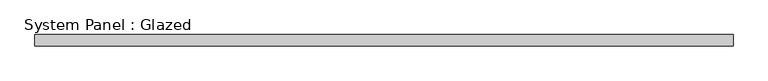
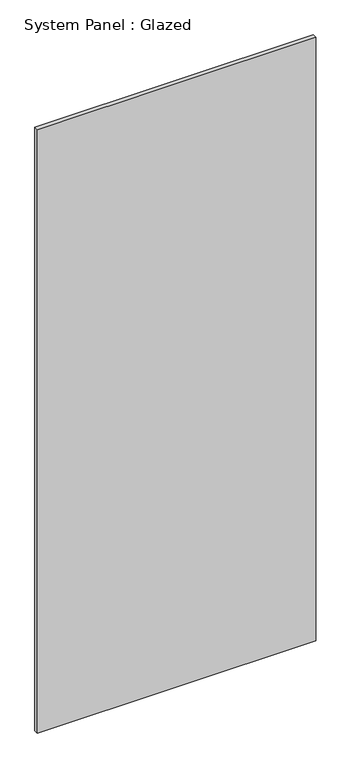
"""IFC4 building model written with IfcOpenShell, lengths in millimetres: plate geometry, System Panel : Glazed."""

import ifcopenshell
import ifcopenshell.guid

model = None  # the IFC model being written
_history = None  # IfcOwnerHistory: only IFC2X3 demands one
_inside = {}  # id of a spatial element -> (the spatial element, [elements in it])
_under = {}  # id of a project, library or spatial element -> (it, [spatial elements below it])
_declared = {}  # id of a project -> (the project, [libraries it declares])
_typed = {}  # id of a type object -> (the type object, [elements of that type])
_made_of = {}  # id of a material, layer set ... -> (it, [elements and type objects made of it])


def new_model(schema):
    """Start an empty IFC model of exactly this schema.

    Asked for "IFC4X3", IfcOpenShell would pick the latest addendum, in which some entities
    have other attributes; the version numbers below select the first issue.
    IFC2X3 requires an IfcOwnerHistory on every rooted entity: one is made here for all.
    """
    global model, _history
    if schema == "IFC4X3":
        model = ifcopenshell.file(schema_version=(4, 3, 0, 0))
    else:
        model = ifcopenshell.file(schema=schema)
    _inside.clear()
    _under.clear()
    _declared.clear()
    _typed.clear()
    _made_of.clear()
    _history = None
    if model.schema == "IFC2X3":
        org = make("IfcOrganization", Name="unknown")
        user = make(
            "IfcPersonAndOrganization",
            ThePerson=make("IfcPerson", FamilyName="unknown"),
            TheOrganization=org,
        )
        app = make(
            "IfcApplication",
            ApplicationDeveloper=org,
            Version="unknown",
            ApplicationFullName="unknown",
            ApplicationIdentifier="unknown",
        )
        _history = make(
            "IfcOwnerHistory",
            OwningUser=user,
            OwningApplication=app,
            ChangeAction="ADDED",
            CreationDate=0,
        )
    return model


def make(cls, **values):
    """One entity of the class cls with the attributes given. An attribute that is None is left unset."""
    return model.create_entity(
        cls, **{name: value for name, value in values.items() if value is not None}
    )


def rooted(cls, **values):
    """An entity with a GlobalId (a new one), such as an element, a storey or a relation."""
    return make(cls, GlobalId=ifcopenshell.guid.new(), OwnerHistory=_history, **values)


def si_unit(unit_type, name, prefix=None):
    """IfcSIUnit, for example si_unit("LENGTHUNIT", "METRE", prefix="MILLI")."""
    return make("IfcSIUnit", UnitType=unit_type, Prefix=prefix, Name=name)


def assignment(units):
    """IfcUnitAssignment: the units of a project."""
    return None if units is None else make("IfcUnitAssignment", Units=units)


def point(xyz):
    """IfcCartesianPoint."""
    return None if xyz is None else make("IfcCartesianPoint", Coordinates=xyz)


def direction(xyz):
    """IfcDirection."""
    return None if xyz is None else make("IfcDirection", DirectionRatios=xyz)


def frame(location, z_axis=None, x_axis=None):
    """IfcAxis2Placement3D, a coordinate frame: its origin and axes. An axis left out is left unset."""
    return make(
        "IfcAxis2Placement3D",
        Location=point(location),
        Axis=direction(z_axis),
        RefDirection=direction(x_axis),
    )


def origin():
    """The frame at (0, 0, 0) with its axes left unset."""
    return frame((0.0, 0.0, 0.0))


def origin_with_axes():
    """The frame at (0, 0, 0) with the z axis (0, 0, 1) and the x axis (1, 0, 0) written out."""
    return frame((0.0, 0.0, 0.0), z_axis=(0.0, 0.0, 1.0), x_axis=(1.0, 0.0, 0.0))


def place(relative_to, where):
    """IfcLocalPlacement: puts the frame where relative to a parent placement (None: the world)."""
    return make(
        "IfcLocalPlacement", PlacementRelTo=relative_to, RelativePlacement=where
    )


def context(
    kind, dimensions, precision=None, world=None, true_north=None, identifier=None
):
    """IfcGeometricRepresentationContext, for example the 3D "Model" context."""
    return make(
        "IfcGeometricRepresentationContext",
        ContextIdentifier=identifier,
        ContextType=kind,
        CoordinateSpaceDimension=dimensions,
        Precision=precision,
        WorldCoordinateSystem=world,
        TrueNorth=true_north,
    )


def project(units=None, contexts=None):
    """IfcProject with its units and contexts."""
    return rooted(
        "IfcProject",
        Name="project",
        RepresentationContexts=contexts,
        UnitsInContext=assignment(units),
    )


def spatial(cls, under=None, at=None, **own):
    """A site, building, storey or space (cls), placed at a placement, below another one or the project."""
    s = rooted(cls, ObjectPlacement=at, **own)
    if under is not None:
        _under.setdefault(under.id(), (under, []))[1].append(s)
    return s


def polyline(points):
    """IfcPolyline through the points."""
    return make("IfcPolyline", Points=[point(p) for p in points])


def outline(outer, holes=None, kind="AREA"):
    """IfcArbitraryClosedProfileDef: a profile drawn as a closed curve; with holes, ...WithVoids."""
    if holes is None:
        return make("IfcArbitraryClosedProfileDef", ProfileType=kind, OuterCurve=outer)
    return make(
        "IfcArbitraryProfileDefWithVoids",
        ProfileType=kind,
        OuterCurve=outer,
        InnerCurves=holes,
    )


def extrude(swept, where, along, depth):
    """IfcExtrudedAreaSolid: the profile swept, set in the frame where, extruded along a direction by depth."""
    return make(
        "IfcExtrudedAreaSolid",
        SweptArea=swept,
        Position=where,
        ExtrudedDirection=direction(along),
        Depth=depth,
    )


def shape(context_of_items, identifier, shape_type, items):
    """IfcShapeRepresentation: the items that make up one representation, for example the "Body"."""
    return make(
        "IfcShapeRepresentation",
        ContextOfItems=context_of_items,
        RepresentationIdentifier=identifier,
        RepresentationType=shape_type,
        Items=items,
    )


def source(mapping_origin, context_of_items, identifier, shape_type, items):
    """IfcRepresentationMap: a shape defined once, which mapped items show again and again."""
    return make(
        "IfcRepresentationMap",
        MappingOrigin=mapping_origin,
        MappedRepresentation=shape(context_of_items, identifier, shape_type, items),
    )


def transform(
    local_origin,
    x_axis=None,
    y_axis=None,
    z_axis=None,
    scale=None,
    scale2=None,
    scale3=None,
    uniform=True,
):
    """IfcCartesianTransformationOperator3D, or its non-uniform kind. x_axis, y_axis, z_axis: its Axis1, 2, 3."""
    if uniform:
        return make(
            "IfcCartesianTransformationOperator3D",
            Axis1=direction(x_axis),
            Axis2=direction(y_axis),
            LocalOrigin=point(local_origin),
            Scale=scale,
            Axis3=direction(z_axis),
        )
    return make(
        "IfcCartesianTransformationOperator3DnonUniform",
        Axis1=direction(x_axis),
        Axis2=direction(y_axis),
        LocalOrigin=point(local_origin),
        Scale=scale,
        Axis3=direction(z_axis),
        Scale2=scale2,
        Scale3=scale3,
    )


def mapped(mapping_source, mapping_target):
    """IfcMappedItem: shows the shape of a source again, moved by a transform."""
    return make(
        "IfcMappedItem", MappingSource=mapping_source, MappingTarget=mapping_target
    )


def made_of(thing, what):
    """Note that an element or type object is made of a material, layer set ...; save() writes the relation."""
    if what is not None:
        _made_of.setdefault(what.id(), (what, []))[1].append(thing)
    return thing


def element(
    cls,
    number,
    at=None,
    inside=None,
    cuts=None,
    type_object=None,
    material=None,
    context=None,
    identifier="Body",
    shape_type=None,
    held_by="IfcProductDefinitionShape",
    body=None,
    shapes=None,
    **own,
):
    """One element of the class cls, such as IfcWall. Its Tag is "e" and its number.

    at: its placement. inside: the storey or other place that contains it. cuts: it is an
    opening in that element (IfcRelVoidsElement). A single representation is given by context,
    identifier, shape_type and body (its items); several are given by shapes. held_by: the class
    of the entity that holds the representations. save() writes the other relations.
    """
    e = rooted(cls, Tag="e%d" % number, ObjectPlacement=at, **own)
    if body is not None:
        shapes = [shape(context, identifier, shape_type, body)]
    if shapes is not None:
        e.Representation = make(held_by, Representations=shapes)
    if inside is not None:
        _inside.setdefault(inside.id(), (inside, []))[1].append(e)
    if cuts is not None:
        rooted(
            "IfcRelVoidsElement", RelatingBuildingElement=cuts, RelatedOpeningElement=e
        )
    if type_object is not None:
        _typed.setdefault(type_object.id(), (type_object, []))[1].append(e)
    return made_of(e, material)


def aggregate(whole, parts):
    """IfcRelAggregates: a whole, such as a stair, and the parts it consists of."""
    return rooted("IfcRelAggregates", RelatingObject=whole, RelatedObjects=parts)


def save(model, path):
    """Write the relations noted so far, then the file.

    IfcRelAggregates (storeys below a building ...), IfcRelContainedInSpatialStructure (elements
    in a storey), IfcRelDefinesByType, IfcRelAssociatesMaterial and IfcRelDeclares: one each for
    every whole, place, type object, material and project.
    """
    for whole, parts in _under.values():
        aggregate(whole, parts)
    for where, things in _inside.values():
        rooted(
            "IfcRelContainedInSpatialStructure",
            RelatedElements=things,
            RelatingStructure=where,
        )
    for kind, things in _typed.values():
        rooted("IfcRelDefinesByType", RelatedObjects=things, RelatingType=kind)
    for what, things in _made_of.values():
        rooted("IfcRelAssociatesMaterial", RelatedObjects=things, RelatingMaterial=what)
    for by, libraries in _declared.values():
        rooted("IfcRelDeclares", RelatingContext=by, RelatedDefinitions=libraries)
    model.write(path)


def system_panel_glazed_d5e8efdc(model_context):
    return source(origin(), model_context, "Body", "SweptSolid", [
        extrude(outline(polyline([(797.3645429, 19.05), (-797.3645429, 19.05), (-797.3645429, 44.45), (797.3645429, 44.45), (797.3645429, 19.05)])), origin_with_axes(), (0.0, 0.0, 1.0), 3657.6),
    ])


if __name__ == "__main__":
    model = new_model("IFC4")
    model_context = context("Model", 3, world=origin())
    ifc_project = project(units=[si_unit("LENGTHUNIT", "METRE", prefix="MILLI")], contexts=[model_context])
    site = spatial("IfcSite", under=ifc_project)
    building = spatial("IfcBuilding", under=site)
    placement = place(None, origin())
    system_panel_glazed_shape = system_panel_glazed_d5e8efdc(model_context)
    element("IfcPlate", 1, ObjectType="System Panel : Glazed", at=placement, inside=building, context=model_context, shape_type="MappedRepresentation", body=[
        mapped(system_panel_glazed_shape, transform((0.0, 0.0, 0.0), x_axis=(1.0, 0.0, 0.0), y_axis=(0.0, 1.0, 0.0), z_axis=(0.0, 0.0, 1.0))),
    ])
    save(model, "model.ifc")
